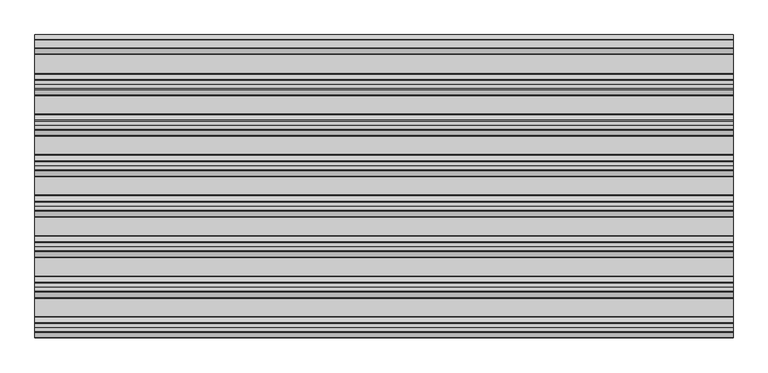
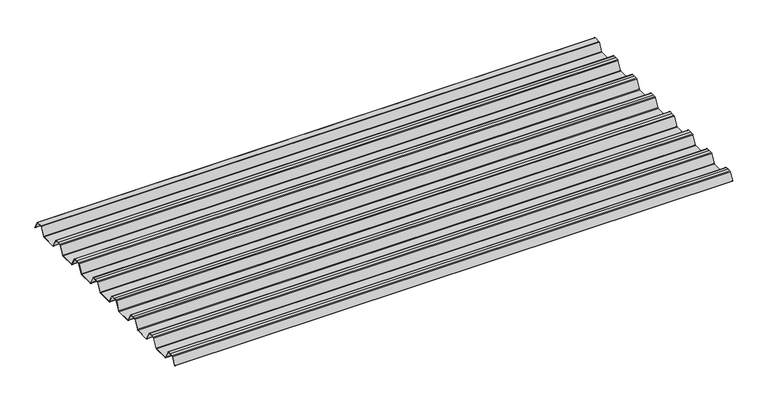
"""IFC4 building model written with IfcOpenShell, lengths in millimetres: beam geometry."""

from ifc_helpers import new_model, si_unit, point, frame, frame_2d, origin, place, context, project, spatial, polyline, circle_curve, trimmed, segment, composite_curve, outline, extrude, source, transform, mapped, element, save


def beam_1f02263a(model_context):
    return source(origin(), model_context, "Body", "SweptSolid", [
        extrude(outline(composite_curve([segment(trimmed(circle_curve(frame_2d((12.4202706, 6.454055)), 0.7571435), [point((13.1162593, 6.7521591))], [point((12.456054, 7.2103525))], True, "CARTESIAN"), True, "CONTINUOUS"), segment(polyline([(12.456054, 7.2103525), (-12.456054, 7.2103525)]), True, "CONTINUOUS"), segment(trimmed(circle_curve(frame_2d((-12.4202706, 6.454055)), 0.7571435), [point((-12.456054, 7.2103525))], [point((-13.1162593, 6.7521591))], True, "CARTESIAN"), True, "CONTINUOUS"), segment(polyline([(-13.1162593, 6.7521591), (-29.7452902, -24.2632513)]), True, "CONTINUOUS"), segment(trimmed(circle_curve(frame_2d((-32.2956191, -22.8958828)), 2.8937647), [point((-29.7452902, -24.2632513))], [point((-32.2956191, -25.7896475))], False, "CARTESIAN"), True, "CONTINUOUS"), segment(polyline([(-32.2956191, -25.7896475), (-92.0, -25.7896475)]), True, "CONTINUOUS"), segment(trimmed(circle_curve(frame_2d((-91.9202706, -22.03335)), 3.7571435), [point((-92.0, -25.7896475))], [point((-95.2893314, -23.6963464))], False, "CARTESIAN"), True, "CONTINUOUS"), segment(polyline([(-95.2893314, -23.6963464), (-112.0926736, 7.6441785)]), True, "CONTINUOUS"), segment(trimmed(circle_curve(frame_2d((-114.5797294, 6.454055)), 2.7571435), [point((-112.0926736, 7.6441785))], [point((-114.511431, 9.2103525))], True, "CARTESIAN"), True, "CONTINUOUS"), segment(polyline([(-114.511431, 9.2103525), (-127.0, 9.2103525), (-139.488569, 9.2103525)]), True, "CONTINUOUS"), segment(trimmed(circle_curve(frame_2d((-139.4202706, 6.454055)), 2.7571435), [point((-139.488569, 9.2103525))], [point((-141.9073264, 7.6441785))], True, "CARTESIAN"), True, "CONTINUOUS"), segment(polyline([(-141.9073264, 7.6441785), (-158.7106686, -23.6963464)]), True, "CONTINUOUS"), segment(trimmed(circle_curve(frame_2d((-162.0797294, -22.03335)), 3.7571435), [point((-158.7106686, -23.6963464))], [point((-162.0, -25.7896475))], False, "CARTESIAN"), True, "CONTINUOUS"), segment(polyline([(-162.0, -25.7896475), (-219.0, -25.7896475)]), True, "CONTINUOUS"), segment(trimmed(circle_curve(frame_2d((-218.9202706, -22.03335)), 3.7571435), [point((-219.0, -25.7896475))], [point((-222.2893314, -23.6963464))], False, "CARTESIAN"), True, "CONTINUOUS"), segment(polyline([(-222.2893314, -23.6963464), (-239.0926736, 7.6441785)]), True, "CONTINUOUS"), segment(trimmed(circle_curve(frame_2d((-241.5797294, 6.454055)), 2.7571435), [point((-239.0926736, 7.6441785))], [point((-241.511431, 9.2103525))], True, "CARTESIAN"), True, "CONTINUOUS"), segment(polyline([(-241.511431, 9.2103525), (-254.0, 9.2103525), (-266.488569, 9.2103525)]), True, "CONTINUOUS"), segment(trimmed(circle_curve(frame_2d((-266.4202706, 6.454055)), 2.7571435), [point((-266.488569, 9.2103525))], [point((-268.9073264, 7.6441785))], True, "CARTESIAN"), True, "CONTINUOUS"), segment(polyline([(-268.9073264, 7.6441785), (-285.7106686, -23.6963464)]), True, "CONTINUOUS"), segment(trimmed(circle_curve(frame_2d((-289.0797294, -22.03335)), 3.7571435), [point((-285.7106686, -23.6963464))], [point((-289.0, -25.7896475))], False, "CARTESIAN"), True, "CONTINUOUS"), segment(polyline([(-289.0, -25.7896475), (-346.0, -25.7896475)]), True, "CONTINUOUS"), segment(trimmed(circle_curve(frame_2d((-345.9202706, -22.03335)), 3.7571435), [point((-346.0, -25.7896475))], [point((-349.2893314, -23.6963464))], False, "CARTESIAN"), True, "CONTINUOUS"), segment(polyline([(-349.2893314, -23.6963464), (-366.0926736, 7.6441785)]), True, "CONTINUOUS"), segment(trimmed(circle_curve(frame_2d((-368.5797294, 6.454055)), 2.7571435), [point((-366.0926736, 7.6441785))], [point((-368.511431, 9.2103525))], True, "CARTESIAN"), True, "CONTINUOUS"), segment(polyline([(-368.511431, 9.2103525), (-381.0, 9.2103525), (-393.488569, 9.2103525)]), True, "CONTINUOUS"), segment(trimmed(circle_curve(frame_2d((-393.4202706, 6.454055)), 2.7571435), [point((-393.488569, 9.2103525))], [point((-395.9073264, 7.6441785))], True, "CARTESIAN"), True, "CONTINUOUS"), segment(polyline([(-395.9073264, 7.6441785), (-412.7106686, -23.6963464)]), True, "CONTINUOUS"), segment(trimmed(circle_curve(frame_2d((-416.0797294, -22.03335)), 3.7571435), [point((-412.7106686, -23.6963464))], [point((-416.0, -25.7896475))], False, "CARTESIAN"), True, "CONTINUOUS"), segment(polyline([(-416.0, -25.7896475), (-473.0, -25.7896475)]), True, "CONTINUOUS"), segment(trimmed(circle_curve(frame_2d((-472.9202706, -22.03335)), 3.7571435), [point((-473.0, -25.7896475))], [point((-476.2893314, -23.6963464))], False, "CARTESIAN"), True, "CONTINUOUS"), segment(polyline([(-476.2893314, -23.6963464), (-493.0926736, 7.6441785)]), True, "CONTINUOUS"), segment(trimmed(circle_curve(frame_2d((-495.5797294, 6.454055)), 2.7571435), [point((-493.0926736, 7.6441785))], [point((-495.511431, 9.2103525))], True, "CARTESIAN"), True, "CONTINUOUS"), segment(polyline([(-495.511431, 9.2103525), (-508.0, 9.2103525), (-520.488569, 9.2103525)]), True, "CONTINUOUS"), segment(trimmed(circle_curve(frame_2d((-520.4202706, 6.454055)), 2.7571435), [point((-520.488569, 9.2103525))], [point((-522.9073264, 7.6441785))], True, "CARTESIAN"), True, "CONTINUOUS"), segment(polyline([(-522.9073264, 7.6441785), (-539.7106686, -23.6963464)]), True, "CONTINUOUS"), segment(trimmed(circle_curve(frame_2d((-543.0797294, -22.03335)), 3.7571435), [point((-539.7106686, -23.6963464))], [point((-543.0, -25.7896475))], False, "CARTESIAN"), True, "CONTINUOUS"), segment(polyline([(-543.0, -25.7896475), (-600.0, -25.7896475)]), True, "CONTINUOUS"), segment(trimmed(circle_curve(frame_2d((-599.9202706, -22.03335)), 3.7571435), [point((-600.0, -25.7896475))], [point((-603.2893314, -23.6963464))], False, "CARTESIAN"), True, "CONTINUOUS"), segment(polyline([(-603.2893314, -23.6963464), (-620.0926736, 7.6441785)]), True, "CONTINUOUS"), segment(trimmed(circle_curve(frame_2d((-622.5797294, 6.454055)), 2.7571435), [point((-620.0926736, 7.6441785))], [point((-622.511431, 9.2103525))], True, "CARTESIAN"), True, "CONTINUOUS"), segment(polyline([(-622.511431, 9.2103525), (-635.0, 9.2103525), (-647.488569, 9.2103525)]), True, "CONTINUOUS"), segment(trimmed(circle_curve(frame_2d((-647.4202706, 6.454055)), 2.7571435), [point((-647.488569, 9.2103525))], [point((-649.9073264, 7.6441785))], True, "CARTESIAN"), True, "CONTINUOUS"), segment(polyline([(-649.9073264, 7.6441785), (-666.7106686, -23.6963464)]), True, "CONTINUOUS"), segment(trimmed(circle_curve(frame_2d((-670.0797294, -22.03335)), 3.7571435), [point((-666.7106686, -23.6963464))], [point((-670.0, -25.7896475))], False, "CARTESIAN"), True, "CONTINUOUS"), segment(polyline([(-670.0, -25.7896475), (-727.0, -25.7896475)]), True, "CONTINUOUS"), segment(trimmed(circle_curve(frame_2d((-726.9202706, -22.03335)), 3.7571435), [point((-727.0, -25.7896475))], [point((-730.2893314, -23.6963464))], False, "CARTESIAN"), True, "CONTINUOUS"), segment(polyline([(-730.2893314, -23.6963464), (-747.0926736, 7.6441785)]), True, "CONTINUOUS"), segment(trimmed(circle_curve(frame_2d((-749.5797294, 6.454055)), 2.7571435), [point((-747.0926736, 7.6441785))], [point((-749.511431, 9.2103525))], True, "CARTESIAN"), True, "CONTINUOUS"), segment(polyline([(-749.511431, 9.2103525), (-762.0, 9.2103525), (-774.488569, 9.2103525)]), True, "CONTINUOUS"), segment(trimmed(circle_curve(frame_2d((-774.4202706, 6.454055)), 2.7571435), [point((-774.488569, 9.2103525))], [point((-776.9073264, 7.6441785))], True, "CARTESIAN"), True, "CONTINUOUS"), segment(polyline([(-776.9073264, 7.6441785), (-793.7106686, -23.6963464)]), True, "CONTINUOUS"), segment(trimmed(circle_curve(frame_2d((-797.0797294, -22.03335)), 3.7571435), [point((-793.7106686, -23.6963464))], [point((-797.0, -25.7896475))], False, "CARTESIAN"), True, "CONTINUOUS"), segment(polyline([(-797.0, -25.7896475), (-854.0, -25.7896475)]), True, "CONTINUOUS"), segment(trimmed(circle_curve(frame_2d((-853.9202706, -22.03335)), 3.7571435), [point((-854.0, -25.7896475))], [point((-857.2893314, -23.6963464))], False, "CARTESIAN"), True, "CONTINUOUS"), segment(polyline([(-857.2893314, -23.6963464), (-874.0926736, 7.6441785)]), True, "CONTINUOUS"), segment(trimmed(circle_curve(frame_2d((-876.5797294, 6.454055)), 2.7571435), [point((-874.0926736, 7.6441785))], [point((-876.511431, 9.2103525))], True, "CARTESIAN"), True, "CONTINUOUS"), segment(polyline([(-876.511431, 9.2103525), (-889.0, 9.2103525), (-901.488569, 9.2103525)]), True, "CONTINUOUS"), segment(trimmed(circle_curve(frame_2d((-901.4202706, 6.454055)), 2.7571435), [point((-901.488569, 9.2103525))], [point((-903.9073264, 7.6441785))], True, "CARTESIAN"), True, "CONTINUOUS"), segment(polyline([(-903.9073264, 7.6441785), (-918.9585755, -20.4284536)]), True, "CONTINUOUS"), segment(trimmed(circle_curve(frame_2d((-919.3992348, -20.1921924)), 0.5), [point((-918.9585755, -20.4284536))], [point((-919.8398941, -19.9559313))], False, "CARTESIAN"), True, "CONTINUOUS"), segment(polyline([(-919.8398941, -19.9559313), (-904.7986379, 8.0980628)]), True, "CONTINUOUS"), segment(trimmed(circle_curve(frame_2d((-901.4202706, 6.454055)), 3.7571435), [point((-904.7986379, 8.0980628))], [point((-901.5, 10.2103525))], False, "CARTESIAN"), True, "CONTINUOUS"), segment(polyline([(-901.5, 10.2103525), (-889.0, 10.2103525), (-876.5, 10.2103525)]), True, "CONTINUOUS"), segment(trimmed(circle_curve(frame_2d((-876.5797294, 6.454055)), 3.7571435), [point((-876.5, 10.2103525))], [point((-873.2013621, 8.0980628))], False, "CARTESIAN"), True, "CONTINUOUS"), segment(polyline([(-873.2013621, 8.0980628), (-856.3994529, -23.2397892)]), True, "CONTINUOUS"), segment(trimmed(circle_curve(frame_2d((-853.9202706, -22.03335)), 2.7571435), [point((-856.3994529, -23.2397892))], [point((-853.988569, -24.7896475))], True, "CARTESIAN"), True, "CONTINUOUS"), segment(polyline([(-853.988569, -24.7896475), (-797.011431, -24.7896475)]), True, "CONTINUOUS"), segment(trimmed(circle_curve(frame_2d((-797.0797294, -22.03335)), 2.7571435), [point((-797.011431, -24.7896475))], [point((-794.6005471, -23.2397892))], True, "CARTESIAN"), True, "CONTINUOUS"), segment(polyline([(-794.6005471, -23.2397892), (-777.7986379, 8.0980628)]), True, "CONTINUOUS"), segment(trimmed(circle_curve(frame_2d((-774.4202706, 6.454055)), 3.7571435), [point((-777.7986379, 8.0980628))], [point((-774.5, 10.2103525))], False, "CARTESIAN"), True, "CONTINUOUS"), segment(polyline([(-774.5, 10.2103525), (-762.0, 10.2103525), (-749.5, 10.2103525)]), True, "CONTINUOUS"), segment(trimmed(circle_curve(frame_2d((-749.5797294, 6.454055)), 3.7571435), [point((-749.5, 10.2103525))], [point((-746.2013621, 8.0980628))], False, "CARTESIAN"), True, "CONTINUOUS"), segment(polyline([(-746.2013621, 8.0980628), (-729.3994529, -23.2397892)]), True, "CONTINUOUS"), segment(trimmed(circle_curve(frame_2d((-726.9202706, -22.03335)), 2.7571435), [point((-729.3994529, -23.2397892))], [point((-726.988569, -24.7896475))], True, "CARTESIAN"), True, "CONTINUOUS"), segment(polyline([(-726.988569, -24.7896475), (-670.011431, -24.7896475)]), True, "CONTINUOUS"), segment(trimmed(circle_curve(frame_2d((-670.0797294, -22.03335)), 2.7571435), [point((-670.011431, -24.7896475))], [point((-667.6005471, -23.2397892))], True, "CARTESIAN"), True, "CONTINUOUS"), segment(polyline([(-667.6005471, -23.2397892), (-650.7986379, 8.0980628)]), True, "CONTINUOUS"), segment(trimmed(circle_curve(frame_2d((-647.4202706, 6.454055)), 3.7571435), [point((-650.7986379, 8.0980628))], [point((-647.5, 10.2103525))], False, "CARTESIAN"), True, "CONTINUOUS"), segment(polyline([(-647.5, 10.2103525), (-635.0, 10.2103525), (-622.5, 10.2103525)]), True, "CONTINUOUS"), segment(trimmed(circle_curve(frame_2d((-622.5797294, 6.454055)), 3.7571435), [point((-622.5, 10.2103525))], [point((-619.2013621, 8.0980628))], False, "CARTESIAN"), True, "CONTINUOUS"), segment(polyline([(-619.2013621, 8.0980628), (-602.3994529, -23.2397892)]), True, "CONTINUOUS"), segment(trimmed(circle_curve(frame_2d((-599.9202706, -22.03335)), 2.7571435), [point((-602.3994529, -23.2397892))], [point((-599.988569, -24.7896475))], True, "CARTESIAN"), True, "CONTINUOUS"), segment(polyline([(-599.988569, -24.7896475), (-543.011431, -24.7896475)]), True, "CONTINUOUS"), segment(trimmed(circle_curve(frame_2d((-543.0797294, -22.03335)), 2.7571435), [point((-543.011431, -24.7896475))], [point((-540.6005471, -23.2397892))], True, "CARTESIAN"), True, "CONTINUOUS"), segment(polyline([(-540.6005471, -23.2397892), (-523.7986379, 8.0980628)]), True, "CONTINUOUS"), segment(trimmed(circle_curve(frame_2d((-520.4202706, 6.454055)), 3.7571435), [point((-523.7986379, 8.0980628))], [point((-520.5, 10.2103525))], False, "CARTESIAN"), True, "CONTINUOUS"), segment(polyline([(-520.5, 10.2103525), (-508.0, 10.2103525), (-495.5, 10.2103525)]), True, "CONTINUOUS"), segment(trimmed(circle_curve(frame_2d((-495.5797294, 6.454055)), 3.7571435), [point((-495.5, 10.2103525))], [point((-492.2013621, 8.0980628))], False, "CARTESIAN"), True, "CONTINUOUS"), segment(polyline([(-492.2013621, 8.0980628), (-475.3994529, -23.2397892)]), True, "CONTINUOUS"), segment(trimmed(circle_curve(frame_2d((-472.9202706, -22.03335)), 2.7571435), [point((-475.3994529, -23.2397892))], [point((-472.988569, -24.7896475))], True, "CARTESIAN"), True, "CONTINUOUS"), segment(polyline([(-472.988569, -24.7896475), (-416.011431, -24.7896475)]), True, "CONTINUOUS"), segment(trimmed(circle_curve(frame_2d((-416.0797294, -22.03335)), 2.7571435), [point((-416.011431, -24.7896475))], [point((-413.6005471, -23.2397892))], True, "CARTESIAN"), True, "CONTINUOUS"), segment(polyline([(-413.6005471, -23.2397892), (-396.7986379, 8.0980628)]), True, "CONTINUOUS"), segment(trimmed(circle_curve(frame_2d((-393.4202706, 6.454055)), 3.7571435), [point((-396.7986379, 8.0980628))], [point((-393.5, 10.2103525))], False, "CARTESIAN"), True, "CONTINUOUS"), segment(polyline([(-393.5, 10.2103525), (-381.0, 10.2103525), (-368.5, 10.2103525)]), True, "CONTINUOUS"), segment(trimmed(circle_curve(frame_2d((-368.5797294, 6.454055)), 3.7571435), [point((-368.5, 10.2103525))], [point((-365.2013621, 8.0980628))], False, "CARTESIAN"), True, "CONTINUOUS"), segment(polyline([(-365.2013621, 8.0980628), (-348.3994529, -23.2397892)]), True, "CONTINUOUS"), segment(trimmed(circle_curve(frame_2d((-345.9202706, -22.03335)), 2.7571435), [point((-348.3994529, -23.2397892))], [point((-345.988569, -24.7896475))], True, "CARTESIAN"), True, "CONTINUOUS"), segment(polyline([(-345.988569, -24.7896475), (-289.011431, -24.7896475)]), True, "CONTINUOUS"), segment(trimmed(circle_curve(frame_2d((-289.0797294, -22.03335)), 2.7571435), [point((-289.011431, -24.7896475))], [point((-286.6005471, -23.2397892))], True, "CARTESIAN"), True, "CONTINUOUS"), segment(polyline([(-286.6005471, -23.2397892), (-269.7986379, 8.0980628)]), True, "CONTINUOUS"), segment(trimmed(circle_curve(frame_2d((-266.4202706, 6.454055)), 3.7571435), [point((-269.7986379, 8.0980628))], [point((-266.5, 10.2103525))], False, "CARTESIAN"), True, "CONTINUOUS"), segment(polyline([(-266.5, 10.2103525), (-254.0, 10.2103525), (-241.5, 10.2103525)]), True, "CONTINUOUS"), segment(trimmed(circle_curve(frame_2d((-241.5797294, 6.454055)), 3.7571435), [point((-241.5, 10.2103525))], [point((-238.2013621, 8.0980628))], False, "CARTESIAN"), True, "CONTINUOUS"), segment(polyline([(-238.2013621, 8.0980628), (-221.3994529, -23.2397892)]), True, "CONTINUOUS"), segment(trimmed(circle_curve(frame_2d((-218.9202706, -22.03335)), 2.7571435), [point((-221.3994529, -23.2397892))], [point((-218.988569, -24.7896475))], True, "CARTESIAN"), True, "CONTINUOUS"), segment(polyline([(-218.988569, -24.7896475), (-162.011431, -24.7896475)]), True, "CONTINUOUS"), segment(trimmed(circle_curve(frame_2d((-162.0797294, -22.03335)), 2.7571435), [point((-162.011431, -24.7896475))], [point((-159.6005471, -23.2397892))], True, "CARTESIAN"), True, "CONTINUOUS"), segment(polyline([(-159.6005471, -23.2397892), (-142.7986379, 8.0980628)]), True, "CONTINUOUS"), segment(trimmed(circle_curve(frame_2d((-139.4202706, 6.454055)), 3.7571435), [point((-142.7986379, 8.0980628))], [point((-139.5, 10.2103525))], False, "CARTESIAN"), True, "CONTINUOUS"), segment(polyline([(-139.5, 10.2103525), (-127.0, 10.2103525), (-114.5, 10.2103525)]), True, "CONTINUOUS"), segment(trimmed(circle_curve(frame_2d((-114.5797294, 6.454055)), 3.7571435), [point((-114.5, 10.2103525))], [point((-111.2013621, 8.0980628))], False, "CARTESIAN"), True, "CONTINUOUS"), segment(polyline([(-111.2013621, 8.0980628), (-94.3994529, -23.2397892)]), True, "CONTINUOUS"), segment(trimmed(circle_curve(frame_2d((-91.9202706, -22.03335)), 2.7571435), [point((-94.3994529, -23.2397892))], [point((-91.988569, -24.7896475))], True, "CARTESIAN"), True, "CONTINUOUS"), segment(polyline([(-91.988569, -24.7896475), (-32.2956191, -24.7896475)]), True, "CONTINUOUS"), segment(trimmed(circle_curve(frame_2d((-32.2956191, -22.8958828)), 1.8937647), [point((-32.2956191, -24.7896475))], [point((-30.6266089, -23.790729))], True, "CARTESIAN"), True, "CONTINUOUS"), segment(polyline([(-30.6266089, -23.790729), (-14.013963, 7.1941212)]), True, "CONTINUOUS"), segment(trimmed(circle_curve(frame_2d((-12.4202706, 6.454055)), 1.7571435), [point((-14.013963, 7.1941212))], [point((-12.4747918, 8.2103525))], False, "CARTESIAN"), True, "CONTINUOUS"), segment(polyline([(-12.4747918, 8.2103525), (12.4747918, 8.2103525)]), True, "CONTINUOUS"), segment(trimmed(circle_curve(frame_2d((12.4202706, 6.454055)), 1.7571435), [point((12.4747918, 8.2103525))], [point((14.013963, 7.1941212))], False, "CARTESIAN"), True, "CONTINUOUS"), segment(polyline([(14.013963, 7.1941212), (29.5895021, -21.8563833)]), True, "CONTINUOUS"), segment(trimmed(circle_curve(frame_2d((29.1488427, -22.0926445)), 0.5), [point((29.5895021, -21.8563833))], [point((28.7081834, -22.3289057))], False, "CARTESIAN"), True, "CONTINUOUS"), segment(polyline([(28.7081834, -22.3289057), (13.1162593, 6.7521591)]), True, "CONTINUOUS")], self_intersect=False)), frame((-1092.6532716, 0.0, 0.0), z_axis=(1.0, 0.0, 0.0), x_axis=(0.0, 1.0, 0.0)), (0.0, 0.0, 1.0), 2185.3065432),
    ])


if __name__ == "__main__":
    model = new_model("IFC4")
    model_context = context("Model", 3, world=origin())
    ifc_project = project(units=[si_unit("LENGTHUNIT", "METRE", prefix="MILLI")], contexts=[model_context])
    site = spatial("IfcSite", under=ifc_project)
    building = spatial("IfcBuilding", under=site)
    placement = place(None, origin())
    beam_shape = beam_1f02263a(model_context)
    element("IfcBeam", 1, at=placement, inside=building, context=model_context, shape_type="MappedRepresentation", body=[
        mapped(beam_shape, transform((0.0, 0.0, 0.0), x_axis=(1.0, 0.0, 0.0), y_axis=(0.0, 1.0, 0.0), z_axis=(0.0, 0.0, 1.0))),
    ])
    save(model, "model.ifc")
